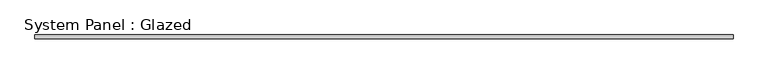
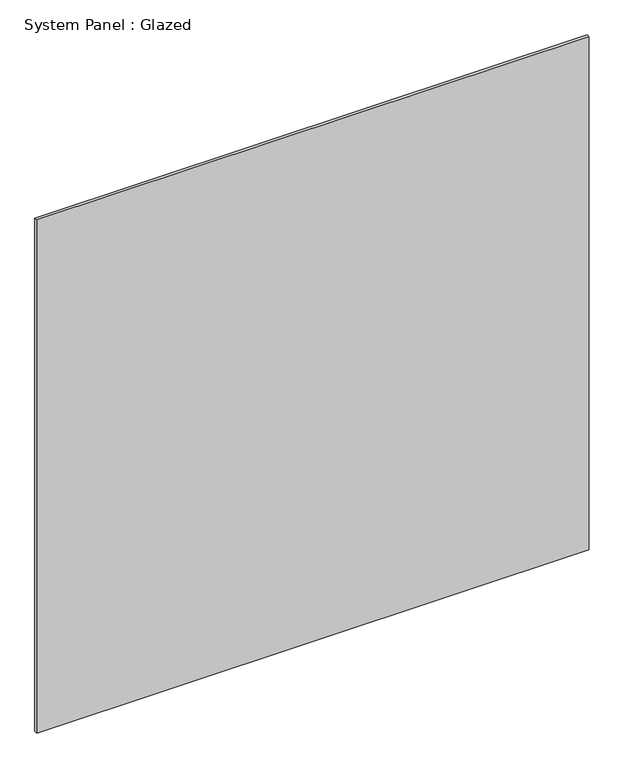
"""IFC4 building model written with IfcOpenShell, lengths in millimetres: plate geometry, System Panel : Glazed."""

from ifc_helpers import new_model, si_unit, origin, origin_with_axes, place, context, project, spatial, polyline, outline, extrude, source, transform, mapped, element, save


def system_panel_glazed_b55d001b(model_context):
    return source(origin(), model_context, "Body", "SweptSolid", [
        extrude(outline(polyline([(596.6968, -3.175), (-596.6968, -3.175), (-596.6968, 3.175), (596.6968, 3.175), (596.6968, -3.175)])), origin_with_axes(), (0.0, 0.0, 1.0), 1171.5757782),
    ])


if __name__ == "__main__":
    model = new_model("IFC4")
    model_context = context("Model", 3, world=origin())
    ifc_project = project(units=[si_unit("LENGTHUNIT", "METRE", prefix="MILLI")], contexts=[model_context])
    site = spatial("IfcSite", under=ifc_project)
    building = spatial("IfcBuilding", under=site)
    placement = place(None, origin())
    system_panel_glazed_shape = system_panel_glazed_b55d001b(model_context)
    element("IfcPlate", 1, ObjectType="System Panel : Glazed", at=placement, inside=building, context=model_context, shape_type="MappedRepresentation", body=[
        mapped(system_panel_glazed_shape, transform((0.0, 0.0, 0.0), x_axis=(1.0, 0.0, 0.0), y_axis=(0.0, 1.0, 0.0), z_axis=(0.0, 0.0, 1.0))),
    ])
    save(model, "model.ifc")
